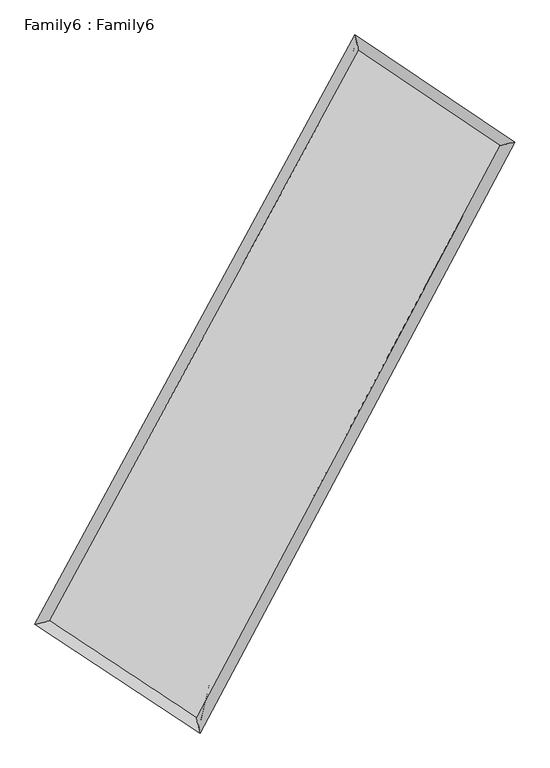
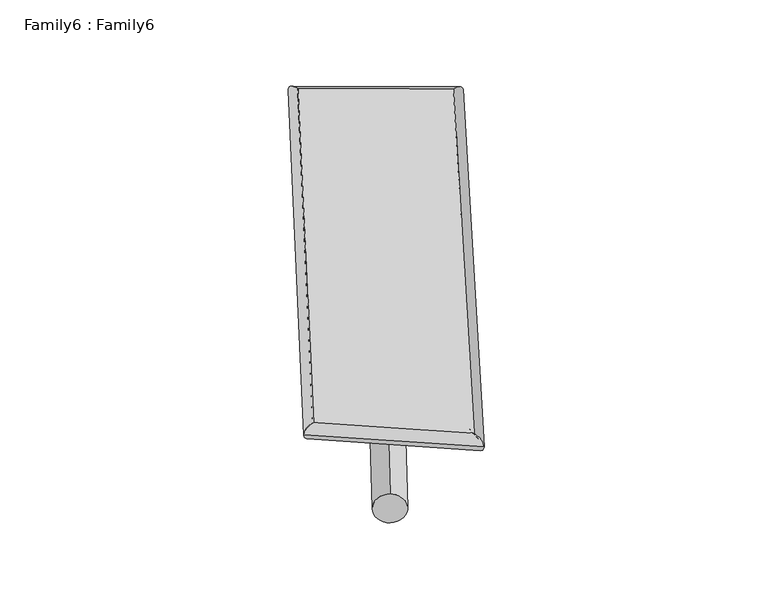
"""IFC4 building model written with IfcOpenShell, lengths in millimetres: plate geometry, Family6 : Family6."""

from ifc_helpers import new_model, si_unit, point, frame, origin, origin_2d, place, context, project, spatial, circle_curve, ellipse_curve, trimmed, segment, composite_curve, outline, extrude, source, transform, mapped, element, save
from ifc_brep_helpers import plane_surface, cylinder_surface, spline_surface, advanced_brep


def family6_family6_dfcf1f29(model_context):
    return source(origin(), model_context, "Body", "SolidModel", [
        extrude(outline(composite_curve([segment(trimmed(circle_curve(origin_2d(), 76.2), [point((-75.4341514, -10.7763073))], [point((75.4341514, 10.7763073))], False, "CARTESIAN"), True, "CONTINUOUS"), segment(trimmed(circle_curve(origin_2d(), 76.2), [point((75.4341514, 10.7763073))], [point((-75.4341514, -10.7763073))], False, "CARTESIAN"), True, "CONTINUOUS")], self_intersect=False)), frame((9144.0, 9144.0, 0.0), z_axis=(0.6580468589706355, 0.6940419943070973, 0.2920274670936071), x_axis=(-0.6874309252112288, 0.7120048680512328, -0.14313556837690805)), (0.0, 0.0, 1.0), 5416.5985796),
        extrude(outline(composite_curve([segment(trimmed(circle_curve(origin_2d(), 76.2), [point((-53.8815367, 53.8815368))], [point((53.8815367, -53.8815368))], False, "CARTESIAN"), True, "CONTINUOUS"), segment(trimmed(circle_curve(origin_2d(), 76.2), [point((53.8815367, -53.8815368))], [point((-53.8815367, 53.8815368))], False, "CARTESIAN"), True, "CONTINUOUS")], self_intersect=False)), frame((9144.0, 9144.0, 0.0), z_axis=(-0.6641182480590732, -0.6887430506770054, 0.2908263446441526), x_axis=(0.6538303492301649, -0.3464071735879233, 0.672687107437319)), (0.0, 0.0, 1.0), 5435.0587514),
        extrude(outline(composite_curve([segment(trimmed(circle_curve(origin_2d(), 76.2), [point((-53.8815367, -53.8815367))], [point((53.8815367, 53.8815367))], False, "CARTESIAN"), True, "CONTINUOUS"), segment(trimmed(circle_curve(origin_2d(), 76.2), [point((53.8815367, 53.8815367))], [point((-53.8815367, -53.8815367))], False, "CARTESIAN"), True, "CONTINUOUS")], self_intersect=False)), frame((9144.0, 9144.0, 0.0), z_axis=(0.2306251157077695, 0.9377915325480093, 0.25953631246134723), x_axis=(-0.8456142466897285, 0.32512206241102865, -0.42335822931527173)), (0.0, 0.0, 1.0), 5631.2363144),
        extrude(outline(composite_curve([segment(trimmed(circle_curve(origin_2d(), 76.2), [point((-75.4341514, 10.7763074))], [point((75.4341514, -10.7763074))], False, "CARTESIAN"), True, "CONTINUOUS"), segment(trimmed(circle_curve(origin_2d(), 76.2), [point((75.4341514, -10.7763074))], [point((-75.4341514, 10.7763074))], False, "CARTESIAN"), True, "CONTINUOUS")], self_intersect=False)), frame((9144.0, 9144.0, 0.0), z_axis=(-0.22354141061341454, -0.9394568350957683, 0.25971155679485514), x_axis=(0.8942961344524332, -0.09171789746462174, 0.4379751718854674)), (0.0, 0.0, 1.0), 5632.8896106),
        advanced_brep(
        [(5334.3128044, 5350.8486282, 1571.9424267), (5333.9337595, 5350.3484493, 1591.1229602), (5734.6438035, 5450.4334817, 1589.3741125), (10496.3856641, 14205.391417, 1473.7820814), (10389.023389, 14644.4600499, 1449.2385339), (5735.0228484, 5450.9336607, 1570.1935789), (12509.1918506, 12853.6315549, 1580.6426496), (12907.5595127, 12953.0622063, 1582.9484773), (7828.954571, 4071.3665511, 1465.3055733), (7940.6772503, 3632.9201568, 1460.5474868)],
        [
            (0, 1, ellipse_curve(frame((5534.4783039, 5400.641055, 1580.6582696), z_axis=(-0.24218965737109163, 0.970012133620897, 0.020509278161561742), x_axis=(-0.9692649959301275, -0.24283701690589599, 0.03944047267484981)), 207.0300761, 152.4)),
            (1, 2, ellipse_curve(frame((5534.4783039, 5400.641055, 1580.6582696), z_axis=(-0.24218965737109163, 0.970012133620897, 0.020509278161561742), x_axis=(-0.9692649959301275, -0.24283701690589599, 0.03944047267484981)), 207.0300761, 152.4)),
            (2, 3),
            (3, 4, ellipse_curve(frame((10442.7045266, 14424.9257334, 1461.5103076), z_axis=(-0.9707881008231508, -0.23872628008221602, -0.024087891113323812), x_axis=(0.23774634985830553, -0.9705986533584053, 0.03761551844521448)), 226.3728328, 152.4)),
            (4, 0),
            (2, 5, ellipse_curve(frame((5534.4783039, 5400.641055, 1580.6582696), z_axis=(-0.24218965737109163, 0.970012133620897, 0.020509278161561742), x_axis=(-0.9692649959301275, -0.24283701690589599, 0.03944047267484981)), 207.0300761, 152.4)),
            (5, 0, ellipse_curve(frame((5534.4783039, 5400.641055, 1580.6582696), z_axis=(-0.24218965737109163, 0.970012133620897, 0.020509278161561742), x_axis=(-0.9692649959301275, -0.24283701690589599, 0.03944047267484981)), 207.0300761, 152.4)),
            (4, 3, ellipse_curve(frame((10442.7045266, 14424.9257334, 1461.5103076), z_axis=(-0.9707881008231508, -0.23872628008221602, -0.024087891113323812), x_axis=(0.23774634985830553, -0.9705986533584053, 0.03761551844521448)), 226.3728328, 152.4)),
            (3, 6),
            (6, 7, ellipse_curve(frame((12708.3756816, 12903.3468806, 1581.7955635), z_axis=(-0.24198894124938092, 0.9700326689512258, -0.021862604610730366), x_axis=(-0.969209591237161, -0.24271846809097125, -0.04147907305458356)), 205.4055463, 152.4)),
            (7, 4),
            (7, 6, ellipse_curve(frame((12708.3756816, 12903.3468806, 1581.7955635), z_axis=(-0.24198894124938092, 0.9700326689512258, -0.021862604610730366), x_axis=(-0.969209591237161, -0.24271846809097125, -0.04147907305458356)), 205.4055463, 152.4)),
            (6, 8),
            (8, 9, ellipse_curve(frame((7884.8159106, 3852.1433539, 1462.92653), z_axis=(0.9687327154659051, 0.2470909294365701, -0.022427629750499438), x_axis=(-0.24620714568357238, 0.9685446325193329, 0.03610174832800587)), 226.3302694, 152.4)),
            (9, 7),
            (9, 8, ellipse_curve(frame((7884.8159106, 3852.1433539, 1462.92653), z_axis=(0.9687327154659051, 0.2470909294365701, -0.022427629750499438), x_axis=(-0.24620714568357238, 0.9685446325193329, 0.03610174832800587)), 226.3302694, 152.4)),
            (8, 5),
            (1, 9),
        ],
        [
            cylinder_surface(frame((5534.4783039, 5400.641055, 1580.6582696), z_axis=(-0.47776099183994536, -0.8784133010694957, 0.01159772306546799), x_axis=(-0.8768270101091732, 0.47600320224800124, -0.06778897987620279)), 152.4),
            cylinder_surface(frame((10442.7045266, 14424.9257334, 1461.5103076), z_axis=(-0.8293579298261008, 0.5569799856736593, -0.044030895897478974), x_axis=(0.5584087330068013, 0.8289416959363665, -0.032176880518151534)), 152.4),
            cylinder_surface(frame((12708.3756816, 12903.3468806, 1581.7955635), z_axis=(0.47027205984909287, 0.8824453989661493, 0.011589114235576079), x_axis=(0.8825167463576002, -0.47027205984909287, -0.002895189749664977)), 152.4),
            cylinder_surface(frame((7884.8159106, 3852.1433539, 1462.92653), z_axis=(0.8343246802830476, -0.5496869239887286, -0.04179250490698564), x_axis=(-0.5488591079955565, -0.8353675960879885, 0.03024332945456976)), 152.4),
        ],
        [
            (0, [[1, 2, 3, 4, 5]]),
            (0, [[6, 7, -5, 8, -3]]),
            (1, [[-4, 9, 10, 11]]),
            (1, [[-8, -11, 12, -9]]),
            (2, [[-10, 13, 14, 15]]),
            (2, [[-12, -15, 16, -13]]),
            (3, [[-14, 17, -6, -2, 18]]),
            (3, [[-16, -18, -1, -7, -17]]),
        ],
    ),
        extrude(outline(composite_curve([segment(trimmed(circle_curve(origin_2d(), 304.8), [point((0.0, -304.8))], [point((0.0, 304.7999999))], False, "CARTESIAN"), True, "CONTINUOUS"), segment(trimmed(circle_curve(origin_2d(), 304.8), [point((0.0, 304.7999999))], [point((0.0, -304.8))], False, "CARTESIAN"), True, "CONTINUOUS")], self_intersect=False)), frame((6647.9741434, 4648.3103432, -0.0824797), z_axis=(0.48540818875462594, 0.8742876471920845, 1.6040030544080685e-05), x_axis=(-0.874287647329354, 0.48540818875462594, 4.15409138807238e-06)), (0.0, 0.0, 1.0), 10284.234648),
        advanced_brep(
        [(5534.4783039, 5400.641055, 1580.6582696), (7884.8159106, 3852.1433539, 1462.92653), (7884.8477356, 3852.1309749, 1615.3265262), (5534.5101289, 5400.628676, 1733.0582658), (12708.3756816, 12903.3468806, 1581.7955635), (12708.4075066, 12903.3345016, 1734.1955597), (10442.7045266, 14424.9257334, 1461.5103076), (10442.7363516, 14424.9133544, 1613.9103038)],
        [
            (0, 1),
            (1, 2),
            (2, 3),
            (3, 0),
            (1, 4),
            (4, 5),
            (5, 2),
            (4, 6),
            (6, 7),
            (7, 5),
            (6, 0),
            (3, 7),
        ],
        [
            plane_surface(frame((6709.6471073, 4626.3922045, 1521.7923998), z_axis=(-0.5501659546624318, -0.8350553395528839, 4.705946296236149e-05), x_axis=(0.8343246802830476, -0.5496869239887284, -0.041792504906985634))),
            plane_surface(frame((10296.5957961, 8377.7451173, 1522.3610468), z_axis=(0.882505855383613, -0.47030135627225833, -0.00022249070041177946), x_axis=(0.4702720598490929, 0.882445398966149, 0.011589114235576091))),
            plane_surface(frame((11575.5401041, 13664.136307, 1521.6529356), z_axis=(0.5575224779690484, 0.8301618421482168, -4.899317515837456e-05), x_axis=(-0.8293579298261007, 0.5569799856736597, -0.04403089589747896))),
            plane_surface(frame((7988.5914153, 9912.7833942, 1521.0842886), z_axis=(-0.8784711301000416, 0.4777953789883719, 0.00022225686524071902), x_axis=(-0.47776099183994575, -0.8784133010694954, 0.011597723065467986))),
            spline_surface(1, 1, [[(7884.8477356, 3852.1309749, 1615.3265262), (5534.5101289, 5400.628676, 1733.0582658)], [(12708.4075066, 12903.3345016, 1734.1955597), (10442.7363516, 14424.9133544, 1613.9103038)]], [2, 2], [2, 2], [0.0, 1.0], [0.0, 1.0]),
            spline_surface(1, 1, [[(10442.7045266, 14424.9257334, 1461.5103076), (5534.4783039, 5400.641055, 1580.6582696)], [(12708.3756816, 12903.3468806, 1581.7955635), (7884.8159106, 3852.1433539, 1462.92653)]], [2, 2], [2, 2], [0.0, 1.0], [0.0, 1.0]),
        ],
        [
            (0, [[1, 2, 3, 4]]),
            (1, [[5, 6, 7, -2]]),
            (2, [[8, 9, 10, -6]]),
            (3, [[11, -4, 12, -9]]),
            (4, [[-3, -7, -10, -12]]),
            (5, [[-11, -8, -5, -1]]),
        ],
    ),
    ])


if __name__ == "__main__":
    model = new_model("IFC4")
    model_context = context("Model", 3, world=origin())
    ifc_project = project(units=[si_unit("LENGTHUNIT", "METRE", prefix="MILLI")], contexts=[model_context])
    site = spatial("IfcSite", under=ifc_project)
    building = spatial("IfcBuilding", under=site)
    placement = place(None, origin())
    family6_family6_shape = family6_family6_dfcf1f29(model_context)
    element("IfcPlate", 1, ObjectType="Family6 : Family6", at=placement, inside=building, context=model_context, shape_type="MappedRepresentation", body=[
        mapped(family6_family6_shape, transform((0.0, 0.0, 0.0), x_axis=(1.0, 0.0, 0.0), y_axis=(0.0, 1.0, 0.0), z_axis=(0.0, 0.0, 1.0))),
    ])
    save(model, "model.ifc")
